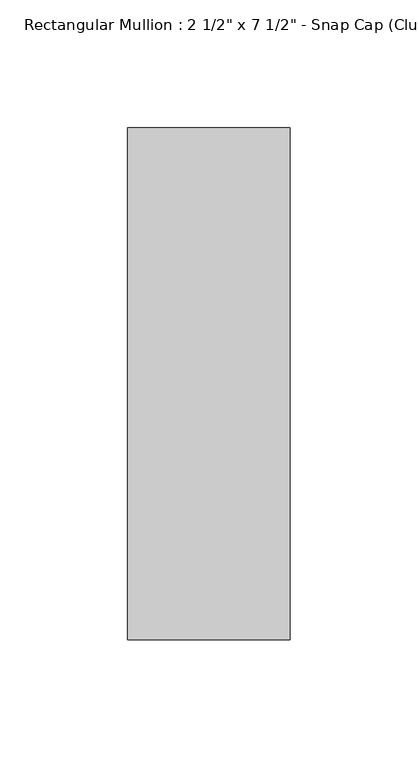
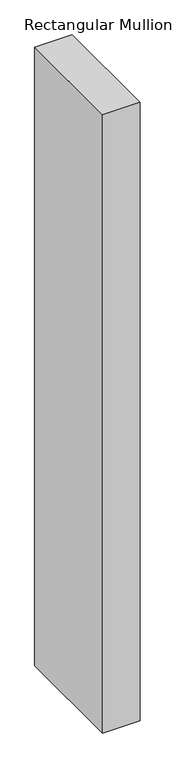
"""IFC4 building model written with IfcOpenShell, lengths in millimetres: member geometry."""

from ifc_helpers import new_model, si_unit, frame, origin, place, context, project, spatial, polyline, outline, extrude, source, transform, mapped, element, save


def member_13d36ba2(model_context):
    return source(origin(), model_context, "Body", "SweptSolid", [
        extrude(outline(polyline([(0.0, 25.8), (0.0, -174.2), (-63.5, -174.2), (-63.5, 25.8), (0.0, 25.8)])), frame((0.0, 0.0, -1109.5992677), z_axis=(0.0, 0.0, 1.0), x_axis=(1.0, 0.0, 0.0)), (0.0, 0.0, 1.0), 1109.5992677),
    ])


if __name__ == "__main__":
    model = new_model("IFC4")
    model_context = context("Model", 3, world=origin())
    ifc_project = project(units=[si_unit("LENGTHUNIT", "METRE", prefix="MILLI")], contexts=[model_context])
    site = spatial("IfcSite", under=ifc_project)
    building = spatial("IfcBuilding", under=site)
    placement = place(None, origin())
    member_shape = member_13d36ba2(model_context)
    element("IfcMember", 1, ObjectType="Rectangular Mullion : 2 1/2\" x 7 1/2\" - Snap Cap (Club)", at=placement, inside=building, context=model_context, shape_type="MappedRepresentation", body=[
        mapped(member_shape, transform((0.0, 0.0, 0.0), x_axis=(1.0, 0.0, 0.0), y_axis=(0.0, 1.0, 0.0), z_axis=(0.0, 0.0, 1.0))),
    ])
    save(model, "model.ifc")
